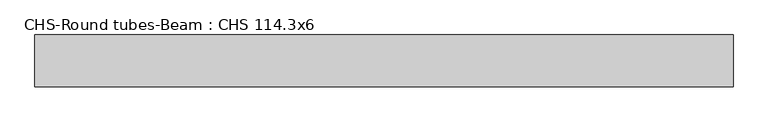
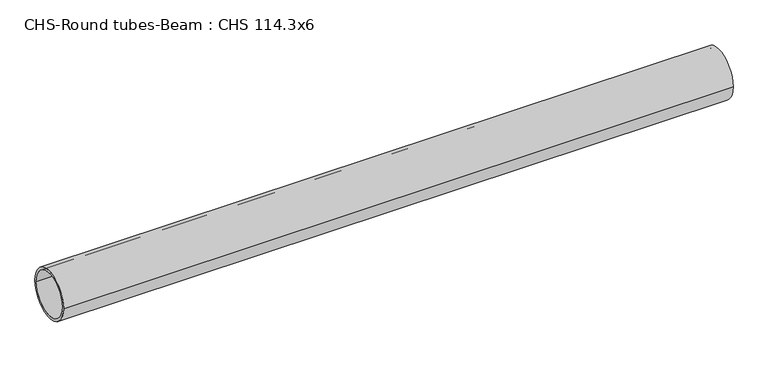
"""IFC4 building model written with IfcOpenShell, lengths in millimetres: beam geometry, CHS-Round tubes-Beam : CHS 114.3x6."""

from ifc_helpers import new_model, si_unit, point, frame, origin, origin_2d, place, context, project, spatial, circle_curve, trimmed, segment, composite_curve, outline, extrude, source, transform, mapped, element, save


def chs_round_tubes_beam_chs_114_3x6_1bcb53ad(model_context):
    return source(origin(), model_context, "Body", "SweptSolid", [
        extrude(outline(composite_curve([segment(trimmed(circle_curve(origin_2d(), 57.15), [point((57.15, 0.0))], [point((-57.15, 0.0))], False, "CARTESIAN"), True, "CONTINUOUS"), segment(trimmed(circle_curve(origin_2d(), 57.15), [point((-57.15, 0.0))], [point((57.15, 0.0))], False, "CARTESIAN"), True, "CONTINUOUS")], self_intersect=False), holes=[composite_curve([segment(trimmed(circle_curve(origin_2d(), 51.15), [point((51.15, 0.0))], [point((-51.15, 0.0))], True, "CARTESIAN"), True, "CONTINUOUS"), segment(trimmed(circle_curve(origin_2d(), 51.15), [point((-51.15, 0.0))], [point((51.15, 0.0))], True, "CARTESIAN"), True, "CONTINUOUS")], self_intersect=False)]), frame((-745.4779946, 0.0, 0.0), z_axis=(1.0, 0.0, 0.0), x_axis=(0.0, 1.0, 0.0)), (0.0, 0.0, 1.0), 1542.7688802),
    ])


if __name__ == "__main__":
    model = new_model("IFC4")
    model_context = context("Model", 3, world=origin())
    ifc_project = project(units=[si_unit("LENGTHUNIT", "METRE", prefix="MILLI")], contexts=[model_context])
    site = spatial("IfcSite", under=ifc_project)
    building = spatial("IfcBuilding", under=site)
    placement = place(None, origin())
    chs_round_tubes_beam_chs_114_3x6_shape = chs_round_tubes_beam_chs_114_3x6_1bcb53ad(model_context)
    element("IfcBeam", 1, ObjectType="CHS-Round tubes-Beam : CHS 114.3x6", at=placement, inside=building, context=model_context, shape_type="MappedRepresentation", body=[
        mapped(chs_round_tubes_beam_chs_114_3x6_shape, transform((0.0, 0.0, 0.0), x_axis=(1.0, 0.0, 0.0), y_axis=(0.0, 1.0, 0.0), z_axis=(0.0, 0.0, 1.0))),
    ])
    save(model, "model.ifc")
